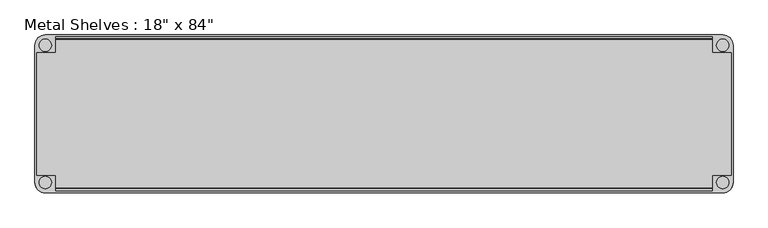
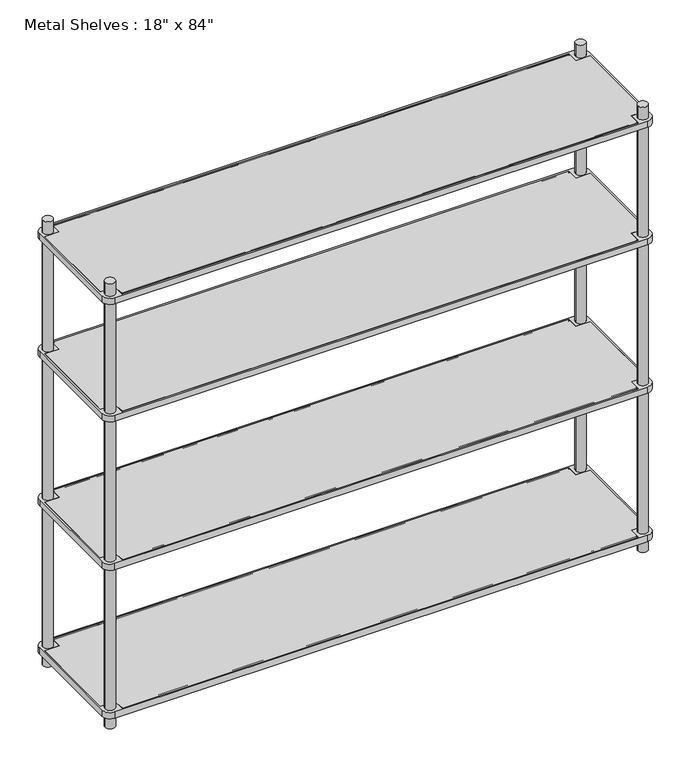
"""IFC4 building model written with IfcOpenShell, lengths in millimetres: furniture geometry."""

import ifcopenshell
import ifcopenshell.guid

model = None  # the IFC model being written
_history = None  # IfcOwnerHistory: only IFC2X3 demands one
_inside = {}  # id of a spatial element -> (the spatial element, [elements in it])
_under = {}  # id of a project, library or spatial element -> (it, [spatial elements below it])
_declared = {}  # id of a project -> (the project, [libraries it declares])
_typed = {}  # id of a type object -> (the type object, [elements of that type])
_made_of = {}  # id of a material, layer set ... -> (it, [elements and type objects made of it])


def new_model(schema):
    """Start an empty IFC model of exactly this schema.

    Asked for "IFC4X3", IfcOpenShell would pick the latest addendum, in which some entities
    have other attributes; the version numbers below select the first issue.
    IFC2X3 requires an IfcOwnerHistory on every rooted entity: one is made here for all.
    """
    global model, _history
    if schema == "IFC4X3":
        model = ifcopenshell.file(schema_version=(4, 3, 0, 0))
    else:
        model = ifcopenshell.file(schema=schema)
    _inside.clear()
    _under.clear()
    _declared.clear()
    _typed.clear()
    _made_of.clear()
    _history = None
    if model.schema == "IFC2X3":
        org = make("IfcOrganization", Name="unknown")
        user = make(
            "IfcPersonAndOrganization",
            ThePerson=make("IfcPerson", FamilyName="unknown"),
            TheOrganization=org,
        )
        app = make(
            "IfcApplication",
            ApplicationDeveloper=org,
            Version="unknown",
            ApplicationFullName="unknown",
            ApplicationIdentifier="unknown",
        )
        _history = make(
            "IfcOwnerHistory",
            OwningUser=user,
            OwningApplication=app,
            ChangeAction="ADDED",
            CreationDate=0,
        )
    return model


def make(cls, **values):
    """One entity of the class cls with the attributes given. An attribute that is None is left unset."""
    return model.create_entity(
        cls, **{name: value for name, value in values.items() if value is not None}
    )


def rooted(cls, **values):
    """An entity with a GlobalId (a new one), such as an element, a storey or a relation."""
    return make(cls, GlobalId=ifcopenshell.guid.new(), OwnerHistory=_history, **values)


def si_unit(unit_type, name, prefix=None):
    """IfcSIUnit, for example si_unit("LENGTHUNIT", "METRE", prefix="MILLI")."""
    return make("IfcSIUnit", UnitType=unit_type, Prefix=prefix, Name=name)


def assignment(units):
    """IfcUnitAssignment: the units of a project."""
    return None if units is None else make("IfcUnitAssignment", Units=units)


def point(xyz):
    """IfcCartesianPoint."""
    return None if xyz is None else make("IfcCartesianPoint", Coordinates=xyz)


def direction(xyz):
    """IfcDirection."""
    return None if xyz is None else make("IfcDirection", DirectionRatios=xyz)


def frame(location, z_axis=None, x_axis=None):
    """IfcAxis2Placement3D, a coordinate frame: its origin and axes. An axis left out is left unset."""
    return make(
        "IfcAxis2Placement3D",
        Location=point(location),
        Axis=direction(z_axis),
        RefDirection=direction(x_axis),
    )


def frame_2d(location, x_axis=None):
    """IfcAxis2Placement2D, a coordinate frame in the plane: its origin and x axis."""
    return make(
        "IfcAxis2Placement2D", Location=point(location), RefDirection=direction(x_axis)
    )


def origin():
    """The frame at (0, 0, 0) with its axes left unset."""
    return frame((0.0, 0.0, 0.0))


def origin_with_axes():
    """The frame at (0, 0, 0) with the z axis (0, 0, 1) and the x axis (1, 0, 0) written out."""
    return frame((0.0, 0.0, 0.0), z_axis=(0.0, 0.0, 1.0), x_axis=(1.0, 0.0, 0.0))


def place(relative_to, where):
    """IfcLocalPlacement: puts the frame where relative to a parent placement (None: the world)."""
    return make(
        "IfcLocalPlacement", PlacementRelTo=relative_to, RelativePlacement=where
    )


def context(
    kind, dimensions, precision=None, world=None, true_north=None, identifier=None
):
    """IfcGeometricRepresentationContext, for example the 3D "Model" context."""
    return make(
        "IfcGeometricRepresentationContext",
        ContextIdentifier=identifier,
        ContextType=kind,
        CoordinateSpaceDimension=dimensions,
        Precision=precision,
        WorldCoordinateSystem=world,
        TrueNorth=true_north,
    )


def project(units=None, contexts=None):
    """IfcProject with its units and contexts."""
    return rooted(
        "IfcProject",
        Name="project",
        RepresentationContexts=contexts,
        UnitsInContext=assignment(units),
    )


def spatial(cls, under=None, at=None, **own):
    """A site, building, storey or space (cls), placed at a placement, below another one or the project."""
    s = rooted(cls, ObjectPlacement=at, **own)
    if under is not None:
        _under.setdefault(under.id(), (under, []))[1].append(s)
    return s


def polyline(points):
    """IfcPolyline through the points."""
    return make("IfcPolyline", Points=[point(p) for p in points])


def circle_curve(where, radius):
    """IfcCircle in the frame where."""
    return make("IfcCircle", Position=where, Radius=radius)


def trimmed(basis, trim1, trim2, sense, master):
    """IfcTrimmedCurve: the piece of a basis curve between two trims."""
    return make(
        "IfcTrimmedCurve",
        BasisCurve=basis,
        Trim1=trim1,
        Trim2=trim2,
        SenseAgreement=sense,
        MasterRepresentation=master,
    )


def segment(curve, same_sense, transition):
    """IfcCompositeCurveSegment."""
    return make(
        "IfcCompositeCurveSegment",
        Transition=transition,
        SameSense=same_sense,
        ParentCurve=curve,
    )


def composite_curve(segments, self_intersect=None):
    """IfcCompositeCurve: segments joined end to end."""
    return make("IfcCompositeCurve", Segments=segments, SelfIntersect=self_intersect)


def outline(outer, holes=None, kind="AREA"):
    """IfcArbitraryClosedProfileDef: a profile drawn as a closed curve; with holes, ...WithVoids."""
    if holes is None:
        return make("IfcArbitraryClosedProfileDef", ProfileType=kind, OuterCurve=outer)
    return make(
        "IfcArbitraryProfileDefWithVoids",
        ProfileType=kind,
        OuterCurve=outer,
        InnerCurves=holes,
    )


def extrude(swept, where, along, depth):
    """IfcExtrudedAreaSolid: the profile swept, set in the frame where, extruded along a direction by depth."""
    return make(
        "IfcExtrudedAreaSolid",
        SweptArea=swept,
        Position=where,
        ExtrudedDirection=direction(along),
        Depth=depth,
    )


def shape(context_of_items, identifier, shape_type, items):
    """IfcShapeRepresentation: the items that make up one representation, for example the "Body"."""
    return make(
        "IfcShapeRepresentation",
        ContextOfItems=context_of_items,
        RepresentationIdentifier=identifier,
        RepresentationType=shape_type,
        Items=items,
    )


def source(mapping_origin, context_of_items, identifier, shape_type, items):
    """IfcRepresentationMap: a shape defined once, which mapped items show again and again."""
    return make(
        "IfcRepresentationMap",
        MappingOrigin=mapping_origin,
        MappedRepresentation=shape(context_of_items, identifier, shape_type, items),
    )


def transform(
    local_origin,
    x_axis=None,
    y_axis=None,
    z_axis=None,
    scale=None,
    scale2=None,
    scale3=None,
    uniform=True,
):
    """IfcCartesianTransformationOperator3D, or its non-uniform kind. x_axis, y_axis, z_axis: its Axis1, 2, 3."""
    if uniform:
        return make(
            "IfcCartesianTransformationOperator3D",
            Axis1=direction(x_axis),
            Axis2=direction(y_axis),
            LocalOrigin=point(local_origin),
            Scale=scale,
            Axis3=direction(z_axis),
        )
    return make(
        "IfcCartesianTransformationOperator3DnonUniform",
        Axis1=direction(x_axis),
        Axis2=direction(y_axis),
        LocalOrigin=point(local_origin),
        Scale=scale,
        Axis3=direction(z_axis),
        Scale2=scale2,
        Scale3=scale3,
    )


def mapped(mapping_source, mapping_target):
    """IfcMappedItem: shows the shape of a source again, moved by a transform."""
    return make(
        "IfcMappedItem", MappingSource=mapping_source, MappingTarget=mapping_target
    )


def made_of(thing, what):
    """Note that an element or type object is made of a material, layer set ...; save() writes the relation."""
    if what is not None:
        _made_of.setdefault(what.id(), (what, []))[1].append(thing)
    return thing


def element(
    cls,
    number,
    at=None,
    inside=None,
    cuts=None,
    type_object=None,
    material=None,
    context=None,
    identifier="Body",
    shape_type=None,
    held_by="IfcProductDefinitionShape",
    body=None,
    shapes=None,
    **own,
):
    """One element of the class cls, such as IfcWall. Its Tag is "e" and its number.

    at: its placement. inside: the storey or other place that contains it. cuts: it is an
    opening in that element (IfcRelVoidsElement). A single representation is given by context,
    identifier, shape_type and body (its items); several are given by shapes. held_by: the class
    of the entity that holds the representations. save() writes the other relations.
    """
    e = rooted(cls, Tag="e%d" % number, ObjectPlacement=at, **own)
    if body is not None:
        shapes = [shape(context, identifier, shape_type, body)]
    if shapes is not None:
        e.Representation = make(held_by, Representations=shapes)
    if inside is not None:
        _inside.setdefault(inside.id(), (inside, []))[1].append(e)
    if cuts is not None:
        rooted(
            "IfcRelVoidsElement", RelatingBuildingElement=cuts, RelatedOpeningElement=e
        )
    if type_object is not None:
        _typed.setdefault(type_object.id(), (type_object, []))[1].append(e)
    return made_of(e, material)


def aggregate(whole, parts):
    """IfcRelAggregates: a whole, such as a stair, and the parts it consists of."""
    return rooted("IfcRelAggregates", RelatingObject=whole, RelatedObjects=parts)


def save(model, path):
    """Write the relations noted so far, then the file.

    IfcRelAggregates (storeys below a building ...), IfcRelContainedInSpatialStructure (elements
    in a storey), IfcRelDefinesByType, IfcRelAssociatesMaterial and IfcRelDeclares: one each for
    every whole, place, type object, material and project.
    """
    for whole, parts in _under.values():
        aggregate(whole, parts)
    for where, things in _inside.values():
        rooted(
            "IfcRelContainedInSpatialStructure",
            RelatedElements=things,
            RelatingStructure=where,
        )
    for kind, things in _typed.values():
        rooted("IfcRelDefinesByType", RelatedObjects=things, RelatingType=kind)
    for what, things in _made_of.values():
        rooted("IfcRelAssociatesMaterial", RelatedObjects=things, RelatingMaterial=what)
    for by, libraries in _declared.values():
        rooted("IfcRelDeclares", RelatingContext=by, RelatedDefinitions=libraries)
    model.write(path)


def furniture_a15f8ee5(model_context):
    return source(origin(), model_context, "Body", "SweptSolid", [
        extrude(outline(polyline([(-1003.3, 234.95), (1003.3, 234.95), (1003.3, 187.325), (1060.45, 187.325), (1060.45, -187.325), (1003.3, -187.325), (1003.3, -234.95), (-1003.3, -234.95), (-1003.3, -187.325), (-1060.45, -187.325), (-1060.45, 187.325), (-1003.3, 187.325), (-1003.3, 234.95)])), frame((0.0, 0.0, 50.8), z_axis=(0.0, 0.0, 1.0), x_axis=(1.0, 0.0, 0.0)), (0.0, 0.0, 1.0), 25.4),
        extrude(outline(polyline([(-1003.3, 234.95), (1003.3, 234.95), (1003.3, 187.325), (1060.45, 187.325), (1060.45, -187.325), (1003.3, -187.325), (1003.3, -234.95), (-1003.3, -234.95), (-1003.3, -187.325), (-1060.45, -187.325), (-1060.45, 187.325), (-1003.3, 187.325), (-1003.3, 234.95)])), frame((0.0, 0.0, 660.4), z_axis=(0.0, 0.0, 1.0), x_axis=(1.0, 0.0, 0.0)), (0.0, 0.0, 1.0), 25.4),
        extrude(outline(polyline([(-1003.3, 234.95), (1003.3, 234.95), (1003.3, 187.325), (1060.45, 187.325), (1060.45, -187.325), (1003.3, -187.325), (1003.3, -234.95), (-1003.3, -234.95), (-1003.3, -187.325), (-1060.45, -187.325), (-1060.45, 187.325), (-1003.3, 187.325), (-1003.3, 234.95)])), frame((0.0, 0.0, 1270.0), z_axis=(0.0, 0.0, 1.0), x_axis=(1.0, 0.0, 0.0)), (0.0, 0.0, 1.0), 25.4),
        extrude(outline(polyline([(-1060.45, 187.325), (-1003.3, 187.325), (-1003.3, 234.95), (1003.3, 234.95), (1003.3, 187.325), (1060.45, 187.325), (1060.45, -187.325), (1003.3, -187.325), (1003.3, -234.95), (-1003.3, -234.95), (-1003.3, -187.325), (-1060.45, -187.325), (-1060.45, 187.325)])), frame((0.0, 0.0, 1752.6), z_axis=(0.0, 0.0, 1.0), x_axis=(1.0, 0.0, 0.0)), (0.0, 0.0, 1.0), 25.4),
        extrude(outline(composite_curve([segment(trimmed(circle_curve(frame_2d((1035.05, -209.55)), 31.75), [point((1066.8, -209.55))], [point((1035.05, -241.3))], False, "CARTESIAN"), True, "CONTINUOUS"), segment(polyline([(1035.05, -241.3), (-1035.05, -241.3)]), True, "CONTINUOUS"), segment(trimmed(circle_curve(frame_2d((-1035.05, -209.55)), 31.75), [point((-1035.05, -241.3))], [point((-1066.8, -209.55))], False, "CARTESIAN"), True, "CONTINUOUS"), segment(polyline([(-1066.8, -209.55), (-1066.8, 209.55)]), True, "CONTINUOUS"), segment(trimmed(circle_curve(frame_2d((-1035.05, 209.55)), 31.75), [point((-1066.8, 209.55))], [point((-1035.05, 241.3))], False, "CARTESIAN"), True, "CONTINUOUS"), segment(polyline([(-1035.05, 241.3), (1035.05, 241.3)]), True, "CONTINUOUS"), segment(trimmed(circle_curve(frame_2d((1035.05, 209.55)), 31.75), [point((1035.05, 241.3))], [point((1066.8, 209.55))], False, "CARTESIAN"), True, "CONTINUOUS"), segment(polyline([(1066.8, 209.55), (1066.8, -209.55)]), True, "CONTINUOUS")], self_intersect=False), holes=[polyline([(-1003.3, -234.95), (1003.3, -234.95), (1003.3, -187.325), (1060.45, -187.325), (1060.45, 187.325), (1003.3, 187.325), (1003.3, 234.95), (-1003.3, 234.95), (-1003.3, 187.325), (-1060.45, 187.325), (-1060.45, -187.325), (-1003.3, -187.325), (-1003.3, -234.95)]), composite_curve([segment(trimmed(circle_curve(frame_2d((1035.05, -209.55)), 19.05), [point((1016.0, -209.55))], [point((1054.1, -209.55))], True, "CARTESIAN"), True, "CONTINUOUS"), segment(trimmed(circle_curve(frame_2d((1035.05, -209.55)), 19.05), [point((1054.1, -209.55))], [point((1016.0, -209.55))], True, "CARTESIAN"), True, "CONTINUOUS")], self_intersect=False), composite_curve([segment(trimmed(circle_curve(frame_2d((1035.05, 209.55)), 19.05), [point((1016.0, 209.55))], [point((1054.1, 209.55))], True, "CARTESIAN"), True, "CONTINUOUS"), segment(trimmed(circle_curve(frame_2d((1035.05, 209.55)), 19.05), [point((1054.1, 209.55))], [point((1016.0, 209.55))], True, "CARTESIAN"), True, "CONTINUOUS")], self_intersect=False), composite_curve([segment(trimmed(circle_curve(frame_2d((-1035.05, 209.55)), 19.05), [point((-1016.0, 209.55))], [point((-1054.1, 209.55))], True, "CARTESIAN"), True, "CONTINUOUS"), segment(trimmed(circle_curve(frame_2d((-1035.05, 209.55)), 19.05), [point((-1054.1, 209.55))], [point((-1016.0, 209.55))], True, "CARTESIAN"), True, "CONTINUOUS")], self_intersect=False), composite_curve([segment(trimmed(circle_curve(frame_2d((-1035.05, -209.55)), 19.05), [point((-1016.0, -209.55))], [point((-1054.1, -209.55))], True, "CARTESIAN"), True, "CONTINUOUS"), segment(trimmed(circle_curve(frame_2d((-1035.05, -209.55)), 19.05), [point((-1054.1, -209.55))], [point((-1016.0, -209.55))], True, "CARTESIAN"), True, "CONTINUOUS")], self_intersect=False)]), frame((0.0, 0.0, 660.4), z_axis=(0.0, 0.0, 1.0), x_axis=(1.0, 0.0, 0.0)), (0.0, 0.0, 1.0), 25.4),
        extrude(outline(composite_curve([segment(trimmed(circle_curve(frame_2d((-1035.05, -209.55)), 31.75), [point((-1035.05, -241.3))], [point((-1066.8, -209.55))], False, "CARTESIAN"), True, "CONTINUOUS"), segment(polyline([(-1066.8, -209.55), (-1066.8, 209.55)]), True, "CONTINUOUS"), segment(trimmed(circle_curve(frame_2d((-1035.05, 209.55)), 31.75), [point((-1066.8, 209.55))], [point((-1035.05, 241.3))], False, "CARTESIAN"), True, "CONTINUOUS"), segment(polyline([(-1035.05, 241.3), (1035.05, 241.3)]), True, "CONTINUOUS"), segment(trimmed(circle_curve(frame_2d((1035.05, 209.55)), 31.75), [point((1035.05, 241.3))], [point((1066.8, 209.55))], False, "CARTESIAN"), True, "CONTINUOUS"), segment(polyline([(1066.8, 209.55), (1066.8, -209.55)]), True, "CONTINUOUS"), segment(trimmed(circle_curve(frame_2d((1035.05, -209.55)), 31.75), [point((1066.8, -209.55))], [point((1035.05, -241.3))], False, "CARTESIAN"), True, "CONTINUOUS"), segment(polyline([(1035.05, -241.3), (-1035.05, -241.3)]), True, "CONTINUOUS")], self_intersect=False), holes=[composite_curve([segment(trimmed(circle_curve(frame_2d((-1035.05, -209.55)), 19.05), [point((-1016.0, -209.55))], [point((-1054.1, -209.55))], True, "CARTESIAN"), True, "CONTINUOUS"), segment(trimmed(circle_curve(frame_2d((-1035.05, -209.55)), 19.05), [point((-1054.1, -209.55))], [point((-1016.0, -209.55))], True, "CARTESIAN"), True, "CONTINUOUS")], self_intersect=False), composite_curve([segment(trimmed(circle_curve(frame_2d((-1035.05, 209.55)), 19.05), [point((-1016.0, 209.55))], [point((-1054.1, 209.55))], True, "CARTESIAN"), True, "CONTINUOUS"), segment(trimmed(circle_curve(frame_2d((-1035.05, 209.55)), 19.05), [point((-1054.1, 209.55))], [point((-1016.0, 209.55))], True, "CARTESIAN"), True, "CONTINUOUS")], self_intersect=False), composite_curve([segment(trimmed(circle_curve(frame_2d((1035.05, -209.55)), 19.05), [point((1016.0, -209.55))], [point((1054.1, -209.55))], True, "CARTESIAN"), True, "CONTINUOUS"), segment(trimmed(circle_curve(frame_2d((1035.05, -209.55)), 19.05), [point((1054.1, -209.55))], [point((1016.0, -209.55))], True, "CARTESIAN"), True, "CONTINUOUS")], self_intersect=False), composite_curve([segment(trimmed(circle_curve(frame_2d((1035.05, 209.55)), 19.05), [point((1016.0, 209.55))], [point((1054.1, 209.55))], True, "CARTESIAN"), True, "CONTINUOUS"), segment(trimmed(circle_curve(frame_2d((1035.05, 209.55)), 19.05), [point((1054.1, 209.55))], [point((1016.0, 209.55))], True, "CARTESIAN"), True, "CONTINUOUS")], self_intersect=False), polyline([(-1003.3, -234.95), (1003.3, -234.95), (1003.3, -187.325), (1060.45, -187.325), (1060.45, 187.325), (1003.3, 187.325), (1003.3, 234.95), (-1003.3, 234.95), (-1003.3, 187.325), (-1060.45, 187.325), (-1060.45, -187.325), (-1003.3, -187.325), (-1003.3, -234.95)])]), frame((0.0, 0.0, 50.8), z_axis=(0.0, 0.0, 1.0), x_axis=(1.0, 0.0, 0.0)), (0.0, 0.0, 1.0), 25.4),
        extrude(outline(composite_curve([segment(trimmed(circle_curve(frame_2d((-1035.05, 209.55)), 31.75), [point((-1066.8, 209.55))], [point((-1035.05, 241.3))], False, "CARTESIAN"), True, "CONTINUOUS"), segment(polyline([(-1035.05, 241.3), (1035.05, 241.3)]), True, "CONTINUOUS"), segment(trimmed(circle_curve(frame_2d((1035.05, 209.55)), 31.75), [point((1035.05, 241.3))], [point((1066.8, 209.55))], False, "CARTESIAN"), True, "CONTINUOUS"), segment(polyline([(1066.8, 209.55), (1066.8, -209.55)]), True, "CONTINUOUS"), segment(trimmed(circle_curve(frame_2d((1035.05, -209.55)), 31.75), [point((1066.8, -209.55))], [point((1035.05, -241.3))], False, "CARTESIAN"), True, "CONTINUOUS"), segment(polyline([(1035.05, -241.3), (-1035.05, -241.3)]), True, "CONTINUOUS"), segment(trimmed(circle_curve(frame_2d((-1035.05, -209.55)), 31.75), [point((-1035.05, -241.3))], [point((-1066.8, -209.55))], False, "CARTESIAN"), True, "CONTINUOUS"), segment(polyline([(-1066.8, -209.55), (-1066.8, 209.55)]), True, "CONTINUOUS")], self_intersect=False), holes=[composite_curve([segment(trimmed(circle_curve(frame_2d((-1035.05, 209.55)), 19.05), [point((-1016.0, 209.55))], [point((-1054.1, 209.55))], True, "CARTESIAN"), True, "CONTINUOUS"), segment(trimmed(circle_curve(frame_2d((-1035.05, 209.55)), 19.05), [point((-1054.1, 209.55))], [point((-1016.0, 209.55))], True, "CARTESIAN"), True, "CONTINUOUS")], self_intersect=False), composite_curve([segment(trimmed(circle_curve(frame_2d((-1035.05, -209.55)), 19.05), [point((-1016.0, -209.55))], [point((-1054.1, -209.55))], True, "CARTESIAN"), True, "CONTINUOUS"), segment(trimmed(circle_curve(frame_2d((-1035.05, -209.55)), 19.05), [point((-1054.1, -209.55))], [point((-1016.0, -209.55))], True, "CARTESIAN"), True, "CONTINUOUS")], self_intersect=False), composite_curve([segment(trimmed(circle_curve(frame_2d((1035.05, -209.55)), 19.05), [point((1016.0, -209.55))], [point((1054.1, -209.55))], True, "CARTESIAN"), True, "CONTINUOUS"), segment(trimmed(circle_curve(frame_2d((1035.05, -209.55)), 19.05), [point((1054.1, -209.55))], [point((1016.0, -209.55))], True, "CARTESIAN"), True, "CONTINUOUS")], self_intersect=False), polyline([(-1003.3, -234.95), (1003.3, -234.95), (1003.3, -187.325), (1060.45, -187.325), (1060.45, 187.325), (1003.3, 187.325), (1003.3, 234.95), (-1003.3, 234.95), (-1003.3, 187.325), (-1060.45, 187.325), (-1060.45, -187.325), (-1003.3, -187.325), (-1003.3, -234.95)]), composite_curve([segment(trimmed(circle_curve(frame_2d((1035.05, 209.55)), 19.05), [point((1016.0, 209.55))], [point((1054.1, 209.55))], True, "CARTESIAN"), True, "CONTINUOUS"), segment(trimmed(circle_curve(frame_2d((1035.05, 209.55)), 19.05), [point((1054.1, 209.55))], [point((1016.0, 209.55))], True, "CARTESIAN"), True, "CONTINUOUS")], self_intersect=False)]), frame((0.0, 0.0, 1270.0), z_axis=(0.0, 0.0, 1.0), x_axis=(1.0, 0.0, 0.0)), (0.0, 0.0, 1.0), 25.4),
        extrude(outline(composite_curve([segment(trimmed(circle_curve(frame_2d((-1035.05, -209.55)), 31.75), [point((-1035.05, -241.3))], [point((-1066.8, -209.55))], False, "CARTESIAN"), True, "CONTINUOUS"), segment(polyline([(-1066.8, -209.55), (-1066.8, 209.55)]), True, "CONTINUOUS"), segment(trimmed(circle_curve(frame_2d((-1035.05, 209.55)), 31.75), [point((-1066.8, 209.55))], [point((-1035.05, 241.3))], False, "CARTESIAN"), True, "CONTINUOUS"), segment(polyline([(-1035.05, 241.3), (1035.05, 241.3)]), True, "CONTINUOUS"), segment(trimmed(circle_curve(frame_2d((1035.05, 209.55)), 31.75), [point((1035.05, 241.3))], [point((1066.8, 209.55))], False, "CARTESIAN"), True, "CONTINUOUS"), segment(polyline([(1066.8, 209.55), (1066.8, -209.55)]), True, "CONTINUOUS"), segment(trimmed(circle_curve(frame_2d((1035.05, -209.55)), 31.75), [point((1066.8, -209.55))], [point((1035.05, -241.3))], False, "CARTESIAN"), True, "CONTINUOUS"), segment(polyline([(1035.05, -241.3), (-1035.05, -241.3)]), True, "CONTINUOUS")], self_intersect=False), holes=[composite_curve([segment(trimmed(circle_curve(frame_2d((1035.05, 209.55)), 19.05), [point((1016.0, 209.55))], [point((1054.1, 209.55))], True, "CARTESIAN"), True, "CONTINUOUS"), segment(trimmed(circle_curve(frame_2d((1035.05, 209.55)), 19.05), [point((1054.1, 209.55))], [point((1016.0, 209.55))], True, "CARTESIAN"), True, "CONTINUOUS")], self_intersect=False), composite_curve([segment(trimmed(circle_curve(frame_2d((1035.05, -209.55)), 19.05), [point((1016.0, -209.55))], [point((1054.1, -209.55))], True, "CARTESIAN"), True, "CONTINUOUS"), segment(trimmed(circle_curve(frame_2d((1035.05, -209.55)), 19.05), [point((1054.1, -209.55))], [point((1016.0, -209.55))], True, "CARTESIAN"), True, "CONTINUOUS")], self_intersect=False), composite_curve([segment(trimmed(circle_curve(frame_2d((-1035.05, 209.55)), 19.05), [point((-1016.0, 209.55))], [point((-1054.1, 209.55))], True, "CARTESIAN"), True, "CONTINUOUS"), segment(trimmed(circle_curve(frame_2d((-1035.05, 209.55)), 19.05), [point((-1054.1, 209.55))], [point((-1016.0, 209.55))], True, "CARTESIAN"), True, "CONTINUOUS")], self_intersect=False), polyline([(1060.45, -187.325), (1060.45, 187.325), (1003.3, 187.325), (1003.3, 234.95), (-1003.3, 234.95), (-1003.3, 187.325), (-1060.45, 187.325), (-1060.45, -187.325), (-1003.3, -187.325), (-1003.3, -234.95), (1003.3, -234.95), (1003.3, -187.325), (1060.45, -187.325)]), composite_curve([segment(trimmed(circle_curve(frame_2d((-1035.05, -209.55)), 19.05), [point((-1016.0, -209.55))], [point((-1054.1, -209.55))], True, "CARTESIAN"), True, "CONTINUOUS"), segment(trimmed(circle_curve(frame_2d((-1035.05, -209.55)), 19.05), [point((-1054.1, -209.55))], [point((-1016.0, -209.55))], True, "CARTESIAN"), True, "CONTINUOUS")], self_intersect=False)]), frame((0.0, 0.0, 1752.6), z_axis=(0.0, 0.0, 1.0), x_axis=(1.0, 0.0, 0.0)), (0.0, 0.0, 1.0), 25.4),
        extrude(outline(composite_curve([segment(trimmed(circle_curve(frame_2d((228.6, 1776.4125)), 1.5875), [point((227.0125, 1776.4125))], [point((230.1875, 1776.4125))], False, "CARTESIAN"), True, "CONTINUOUS"), segment(trimmed(circle_curve(frame_2d((228.6, 1776.4125)), 1.5875), [point((230.1875, 1776.4125))], [point((227.0125, 1776.4125))], False, "CARTESIAN"), True, "CONTINUOUS")], self_intersect=False)), frame((-1003.3, 0.0, 0.0), z_axis=(1.0, 0.0, 0.0), x_axis=(0.0, 1.0, 0.0)), (0.0, 0.0, 1.0), 2006.6),
        extrude(outline(composite_curve([segment(trimmed(circle_curve(frame_2d((-228.6, 1776.4125)), 1.5875), [point((-230.1875, 1776.4125))], [point((-227.0125, 1776.4125))], False, "CARTESIAN"), True, "CONTINUOUS"), segment(trimmed(circle_curve(frame_2d((-228.6, 1776.4125)), 1.5875), [point((-227.0125, 1776.4125))], [point((-230.1875, 1776.4125))], False, "CARTESIAN"), True, "CONTINUOUS")], self_intersect=False)), frame((-1003.3, 0.0, 0.0), z_axis=(1.0, 0.0, 0.0), x_axis=(0.0, 1.0, 0.0)), (0.0, 0.0, 1.0), 2006.6),
        extrude(outline(composite_curve([segment(trimmed(circle_curve(frame_2d((228.6, 1293.8125)), 1.5875), [point((227.0125, 1293.8125))], [point((230.1875, 1293.8125))], False, "CARTESIAN"), True, "CONTINUOUS"), segment(trimmed(circle_curve(frame_2d((228.6, 1293.8125)), 1.5875), [point((230.1875, 1293.8125))], [point((227.0125, 1293.8125))], False, "CARTESIAN"), True, "CONTINUOUS")], self_intersect=False)), frame((-1003.3, 0.0, 0.0), z_axis=(1.0, 0.0, 0.0), x_axis=(0.0, 1.0, 0.0)), (0.0, 0.0, 1.0), 2006.6),
        extrude(outline(composite_curve([segment(trimmed(circle_curve(frame_2d((-228.6, 1293.8125)), 1.5875), [point((-230.1875, 1293.8125))], [point((-227.0125, 1293.8125))], False, "CARTESIAN"), True, "CONTINUOUS"), segment(trimmed(circle_curve(frame_2d((-228.6, 1293.8125)), 1.5875), [point((-227.0125, 1293.8125))], [point((-230.1875, 1293.8125))], False, "CARTESIAN"), True, "CONTINUOUS")], self_intersect=False)), frame((-1003.3, 0.0, 0.0), z_axis=(1.0, 0.0, 0.0), x_axis=(0.0, 1.0, 0.0)), (0.0, 0.0, 1.0), 2006.6),
        extrude(outline(composite_curve([segment(trimmed(circle_curve(frame_2d((228.6, 684.2125)), 1.5875), [point((227.0125, 684.2125))], [point((230.1875, 684.2125))], False, "CARTESIAN"), True, "CONTINUOUS"), segment(trimmed(circle_curve(frame_2d((228.6, 684.2125)), 1.5875), [point((230.1875, 684.2125))], [point((227.0125, 684.2125))], False, "CARTESIAN"), True, "CONTINUOUS")], self_intersect=False)), frame((-1003.3, 0.0, 0.0), z_axis=(1.0, 0.0, 0.0), x_axis=(0.0, 1.0, 0.0)), (0.0, 0.0, 1.0), 2006.6),
        extrude(outline(composite_curve([segment(trimmed(circle_curve(frame_2d((-228.6, 684.2125)), 1.5875), [point((-230.1875, 684.2125))], [point((-227.0125, 684.2125))], False, "CARTESIAN"), True, "CONTINUOUS"), segment(trimmed(circle_curve(frame_2d((-228.6, 684.2125)), 1.5875), [point((-227.0125, 684.2125))], [point((-230.1875, 684.2125))], False, "CARTESIAN"), True, "CONTINUOUS")], self_intersect=False)), frame((-1003.3, 0.0, 0.0), z_axis=(1.0, 0.0, 0.0), x_axis=(0.0, 1.0, 0.0)), (0.0, 0.0, 1.0), 2006.6),
        extrude(outline(composite_curve([segment(trimmed(circle_curve(frame_2d((228.6, 74.6125)), 1.5875), [point((227.0125, 74.6125))], [point((230.1875, 74.6125))], False, "CARTESIAN"), True, "CONTINUOUS"), segment(trimmed(circle_curve(frame_2d((228.6, 74.6125)), 1.5875), [point((230.1875, 74.6125))], [point((227.0125, 74.6125))], False, "CARTESIAN"), True, "CONTINUOUS")], self_intersect=False)), frame((-1003.3, 0.0, 0.0), z_axis=(1.0, 0.0, 0.0), x_axis=(0.0, 1.0, 0.0)), (0.0, 0.0, 1.0), 2006.6),
        extrude(outline(composite_curve([segment(trimmed(circle_curve(frame_2d((-228.6, 74.6125)), 1.5875), [point((-230.1875, 74.6125))], [point((-227.0125, 74.6125))], False, "CARTESIAN"), True, "CONTINUOUS"), segment(trimmed(circle_curve(frame_2d((-228.6, 74.6125)), 1.5875), [point((-227.0125, 74.6125))], [point((-230.1875, 74.6125))], False, "CARTESIAN"), True, "CONTINUOUS")], self_intersect=False)), frame((-1003.3, 0.0, 0.0), z_axis=(1.0, 0.0, 0.0), x_axis=(0.0, 1.0, 0.0)), (0.0, 0.0, 1.0), 2006.6),
        extrude(outline(composite_curve([segment(trimmed(circle_curve(frame_2d((1035.05, -209.55)), 19.05), [point((1054.1, -209.55))], [point((1016.0, -209.55))], False, "CARTESIAN"), True, "CONTINUOUS"), segment(trimmed(circle_curve(frame_2d((1035.05, -209.55)), 19.05), [point((1016.0, -209.55))], [point((1054.1, -209.55))], False, "CARTESIAN"), True, "CONTINUOUS")], self_intersect=False)), origin_with_axes(), (0.0, 0.0, 1.0), 1828.8),
        extrude(outline(composite_curve([segment(trimmed(circle_curve(frame_2d((-1035.05, -209.55)), 19.05), [point((-1054.1, -209.55))], [point((-1016.0, -209.55))], False, "CARTESIAN"), True, "CONTINUOUS"), segment(trimmed(circle_curve(frame_2d((-1035.05, -209.55)), 19.05), [point((-1016.0, -209.55))], [point((-1054.1, -209.55))], False, "CARTESIAN"), True, "CONTINUOUS")], self_intersect=False)), origin_with_axes(), (0.0, 0.0, 1.0), 1828.8),
        extrude(outline(composite_curve([segment(trimmed(circle_curve(frame_2d((1035.05, 209.55)), 19.05), [point((1054.1, 209.55))], [point((1016.0, 209.55))], False, "CARTESIAN"), True, "CONTINUOUS"), segment(trimmed(circle_curve(frame_2d((1035.05, 209.55)), 19.05), [point((1016.0, 209.55))], [point((1054.1, 209.55))], False, "CARTESIAN"), True, "CONTINUOUS")], self_intersect=False)), origin_with_axes(), (0.0, 0.0, 1.0), 1828.8),
        extrude(outline(composite_curve([segment(trimmed(circle_curve(frame_2d((-1035.05, 209.55)), 19.05), [point((-1054.1, 209.55))], [point((-1016.0, 209.55))], False, "CARTESIAN"), True, "CONTINUOUS"), segment(trimmed(circle_curve(frame_2d((-1035.05, 209.55)), 19.05), [point((-1016.0, 209.55))], [point((-1054.1, 209.55))], False, "CARTESIAN"), True, "CONTINUOUS")], self_intersect=False)), origin_with_axes(), (0.0, 0.0, 1.0), 1828.8),
    ])


if __name__ == "__main__":
    model = new_model("IFC4")
    model_context = context("Model", 3, world=origin())
    ifc_project = project(units=[si_unit("LENGTHUNIT", "METRE", prefix="MILLI")], contexts=[model_context])
    site = spatial("IfcSite", under=ifc_project)
    building = spatial("IfcBuilding", under=site)
    placement = place(None, origin())
    furniture_shape = furniture_a15f8ee5(model_context)
    element("IfcFurniture", 1, ObjectType="Metal Shelves : 18\" x 84\"", at=placement, inside=building, context=model_context, shape_type="MappedRepresentation", body=[
        mapped(furniture_shape, transform((0.0, 0.0, 0.0), x_axis=(1.0, 0.0, 0.0), y_axis=(0.0, 1.0, 0.0), z_axis=(0.0, 0.0, 1.0))),
    ])
    save(model, "model.ifc")
